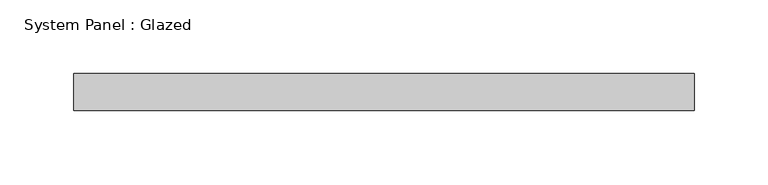
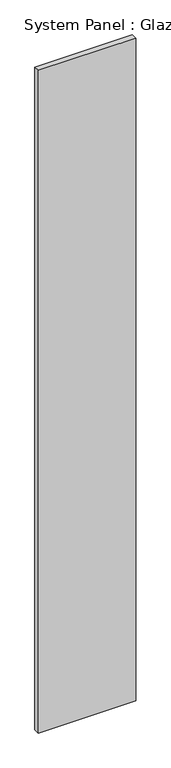
"""IFC4 building model written with IfcOpenShell, lengths in millimetres: plate geometry, System Panel : Glazed."""

from ifc_helpers import new_model, si_unit, origin, origin_with_axes, place, context, project, spatial, polyline, outline, extrude, source, transform, mapped, element, save


def system_panel_glazed_149242ea(model_context):
    return source(origin(), model_context, "Body", "SweptSolid", [
        extrude(outline(polyline([(209.8915984, 24.5), (-209.8915984, 24.5), (-209.8915984, 49.5), (209.8915984, 49.5), (209.8915984, 24.5)])), origin_with_axes(), (0.0, 0.0, 1.0), 3018.3328001),
    ])


if __name__ == "__main__":
    model = new_model("IFC4")
    model_context = context("Model", 3, world=origin())
    ifc_project = project(units=[si_unit("LENGTHUNIT", "METRE", prefix="MILLI")], contexts=[model_context])
    site = spatial("IfcSite", under=ifc_project)
    building = spatial("IfcBuilding", under=site)
    placement = place(None, origin())
    system_panel_glazed_shape = system_panel_glazed_149242ea(model_context)
    element("IfcPlate", 1, ObjectType="System Panel : Glazed", at=placement, inside=building, context=model_context, shape_type="MappedRepresentation", body=[
        mapped(system_panel_glazed_shape, transform((0.0, 0.0, 0.0), x_axis=(1.0, 0.0, 0.0), y_axis=(0.0, 1.0, 0.0), z_axis=(0.0, 0.0, 1.0))),
    ])
    save(model, "model.ifc")
